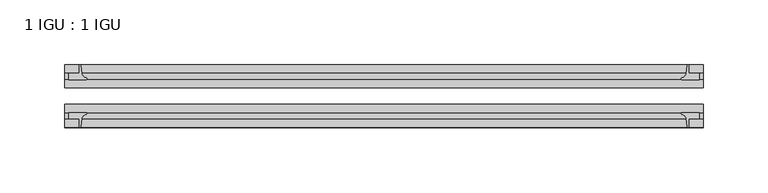
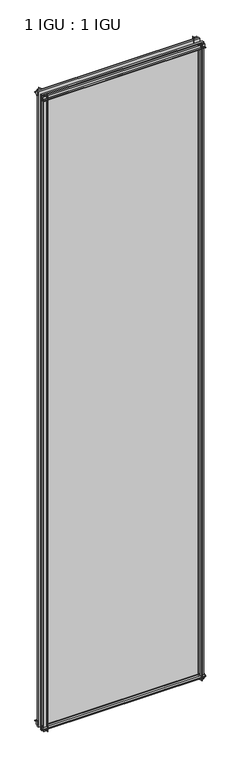
"""IFC4 building model written with IfcOpenShell, lengths in millimetres: plate geometry, 1 IGU : 1 IGU."""

import ifcopenshell
import ifcopenshell.guid

model = None  # the IFC model being written
_history = None  # IfcOwnerHistory: only IFC2X3 demands one
_inside = {}  # id of a spatial element -> (the spatial element, [elements in it])
_under = {}  # id of a project, library or spatial element -> (it, [spatial elements below it])
_declared = {}  # id of a project -> (the project, [libraries it declares])
_typed = {}  # id of a type object -> (the type object, [elements of that type])
_made_of = {}  # id of a material, layer set ... -> (it, [elements and type objects made of it])


def new_model(schema):
    """Start an empty IFC model of exactly this schema.

    Asked for "IFC4X3", IfcOpenShell would pick the latest addendum, in which some entities
    have other attributes; the version numbers below select the first issue.
    IFC2X3 requires an IfcOwnerHistory on every rooted entity: one is made here for all.
    """
    global model, _history
    if schema == "IFC4X3":
        model = ifcopenshell.file(schema_version=(4, 3, 0, 0))
    else:
        model = ifcopenshell.file(schema=schema)
    _inside.clear()
    _under.clear()
    _declared.clear()
    _typed.clear()
    _made_of.clear()
    _history = None
    if model.schema == "IFC2X3":
        org = make("IfcOrganization", Name="unknown")
        user = make(
            "IfcPersonAndOrganization",
            ThePerson=make("IfcPerson", FamilyName="unknown"),
            TheOrganization=org,
        )
        app = make(
            "IfcApplication",
            ApplicationDeveloper=org,
            Version="unknown",
            ApplicationFullName="unknown",
            ApplicationIdentifier="unknown",
        )
        _history = make(
            "IfcOwnerHistory",
            OwningUser=user,
            OwningApplication=app,
            ChangeAction="ADDED",
            CreationDate=0,
        )
    return model


def make(cls, **values):
    """One entity of the class cls with the attributes given. An attribute that is None is left unset."""
    return model.create_entity(
        cls, **{name: value for name, value in values.items() if value is not None}
    )


def rooted(cls, **values):
    """An entity with a GlobalId (a new one), such as an element, a storey or a relation."""
    return make(cls, GlobalId=ifcopenshell.guid.new(), OwnerHistory=_history, **values)


def si_unit(unit_type, name, prefix=None):
    """IfcSIUnit, for example si_unit("LENGTHUNIT", "METRE", prefix="MILLI")."""
    return make("IfcSIUnit", UnitType=unit_type, Prefix=prefix, Name=name)


def assignment(units):
    """IfcUnitAssignment: the units of a project."""
    return None if units is None else make("IfcUnitAssignment", Units=units)


def point(xyz):
    """IfcCartesianPoint."""
    return None if xyz is None else make("IfcCartesianPoint", Coordinates=xyz)


def direction(xyz):
    """IfcDirection."""
    return None if xyz is None else make("IfcDirection", DirectionRatios=xyz)


def frame(location, z_axis=None, x_axis=None):
    """IfcAxis2Placement3D, a coordinate frame: its origin and axes. An axis left out is left unset."""
    return make(
        "IfcAxis2Placement3D",
        Location=point(location),
        Axis=direction(z_axis),
        RefDirection=direction(x_axis),
    )


def frame_2d(location, x_axis=None):
    """IfcAxis2Placement2D, a coordinate frame in the plane: its origin and x axis."""
    return make(
        "IfcAxis2Placement2D", Location=point(location), RefDirection=direction(x_axis)
    )


def origin():
    """The frame at (0, 0, 0) with its axes left unset."""
    return frame((0.0, 0.0, 0.0))


def place(relative_to, where):
    """IfcLocalPlacement: puts the frame where relative to a parent placement (None: the world)."""
    return make(
        "IfcLocalPlacement", PlacementRelTo=relative_to, RelativePlacement=where
    )


def context(
    kind, dimensions, precision=None, world=None, true_north=None, identifier=None
):
    """IfcGeometricRepresentationContext, for example the 3D "Model" context."""
    return make(
        "IfcGeometricRepresentationContext",
        ContextIdentifier=identifier,
        ContextType=kind,
        CoordinateSpaceDimension=dimensions,
        Precision=precision,
        WorldCoordinateSystem=world,
        TrueNorth=true_north,
    )


def project(units=None, contexts=None):
    """IfcProject with its units and contexts."""
    return rooted(
        "IfcProject",
        Name="project",
        RepresentationContexts=contexts,
        UnitsInContext=assignment(units),
    )


def spatial(cls, under=None, at=None, **own):
    """A site, building, storey or space (cls), placed at a placement, below another one or the project."""
    s = rooted(cls, ObjectPlacement=at, **own)
    if under is not None:
        _under.setdefault(under.id(), (under, []))[1].append(s)
    return s


def polyline(points):
    """IfcPolyline through the points."""
    return make("IfcPolyline", Points=[point(p) for p in points])


def circle_curve(where, radius):
    """IfcCircle in the frame where."""
    return make("IfcCircle", Position=where, Radius=radius)


def trimmed(basis, trim1, trim2, sense, master):
    """IfcTrimmedCurve: the piece of a basis curve between two trims."""
    return make(
        "IfcTrimmedCurve",
        BasisCurve=basis,
        Trim1=trim1,
        Trim2=trim2,
        SenseAgreement=sense,
        MasterRepresentation=master,
    )


def segment(curve, same_sense, transition):
    """IfcCompositeCurveSegment."""
    return make(
        "IfcCompositeCurveSegment",
        Transition=transition,
        SameSense=same_sense,
        ParentCurve=curve,
    )


def composite_curve(segments, self_intersect=None):
    """IfcCompositeCurve: segments joined end to end."""
    return make("IfcCompositeCurve", Segments=segments, SelfIntersect=self_intersect)


def outline(outer, holes=None, kind="AREA"):
    """IfcArbitraryClosedProfileDef: a profile drawn as a closed curve; with holes, ...WithVoids."""
    if holes is None:
        return make("IfcArbitraryClosedProfileDef", ProfileType=kind, OuterCurve=outer)
    return make(
        "IfcArbitraryProfileDefWithVoids",
        ProfileType=kind,
        OuterCurve=outer,
        InnerCurves=holes,
    )


def extrude(swept, where, along, depth):
    """IfcExtrudedAreaSolid: the profile swept, set in the frame where, extruded along a direction by depth."""
    return make(
        "IfcExtrudedAreaSolid",
        SweptArea=swept,
        Position=where,
        ExtrudedDirection=direction(along),
        Depth=depth,
    )


def shape(context_of_items, identifier, shape_type, items):
    """IfcShapeRepresentation: the items that make up one representation, for example the "Body"."""
    return make(
        "IfcShapeRepresentation",
        ContextOfItems=context_of_items,
        RepresentationIdentifier=identifier,
        RepresentationType=shape_type,
        Items=items,
    )


def source(mapping_origin, context_of_items, identifier, shape_type, items):
    """IfcRepresentationMap: a shape defined once, which mapped items show again and again."""
    return make(
        "IfcRepresentationMap",
        MappingOrigin=mapping_origin,
        MappedRepresentation=shape(context_of_items, identifier, shape_type, items),
    )


def transform(
    local_origin,
    x_axis=None,
    y_axis=None,
    z_axis=None,
    scale=None,
    scale2=None,
    scale3=None,
    uniform=True,
):
    """IfcCartesianTransformationOperator3D, or its non-uniform kind. x_axis, y_axis, z_axis: its Axis1, 2, 3."""
    if uniform:
        return make(
            "IfcCartesianTransformationOperator3D",
            Axis1=direction(x_axis),
            Axis2=direction(y_axis),
            LocalOrigin=point(local_origin),
            Scale=scale,
            Axis3=direction(z_axis),
        )
    return make(
        "IfcCartesianTransformationOperator3DnonUniform",
        Axis1=direction(x_axis),
        Axis2=direction(y_axis),
        LocalOrigin=point(local_origin),
        Scale=scale,
        Axis3=direction(z_axis),
        Scale2=scale2,
        Scale3=scale3,
    )


def mapped(mapping_source, mapping_target):
    """IfcMappedItem: shows the shape of a source again, moved by a transform."""
    return make(
        "IfcMappedItem", MappingSource=mapping_source, MappingTarget=mapping_target
    )


def made_of(thing, what):
    """Note that an element or type object is made of a material, layer set ...; save() writes the relation."""
    if what is not None:
        _made_of.setdefault(what.id(), (what, []))[1].append(thing)
    return thing


def element(
    cls,
    number,
    at=None,
    inside=None,
    cuts=None,
    type_object=None,
    material=None,
    context=None,
    identifier="Body",
    shape_type=None,
    held_by="IfcProductDefinitionShape",
    body=None,
    shapes=None,
    **own,
):
    """One element of the class cls, such as IfcWall. Its Tag is "e" and its number.

    at: its placement. inside: the storey or other place that contains it. cuts: it is an
    opening in that element (IfcRelVoidsElement). A single representation is given by context,
    identifier, shape_type and body (its items); several are given by shapes. held_by: the class
    of the entity that holds the representations. save() writes the other relations.
    """
    e = rooted(cls, Tag="e%d" % number, ObjectPlacement=at, **own)
    if body is not None:
        shapes = [shape(context, identifier, shape_type, body)]
    if shapes is not None:
        e.Representation = make(held_by, Representations=shapes)
    if inside is not None:
        _inside.setdefault(inside.id(), (inside, []))[1].append(e)
    if cuts is not None:
        rooted(
            "IfcRelVoidsElement", RelatingBuildingElement=cuts, RelatedOpeningElement=e
        )
    if type_object is not None:
        _typed.setdefault(type_object.id(), (type_object, []))[1].append(e)
    return made_of(e, material)


def aggregate(whole, parts):
    """IfcRelAggregates: a whole, such as a stair, and the parts it consists of."""
    return rooted("IfcRelAggregates", RelatingObject=whole, RelatedObjects=parts)


def save(model, path):
    """Write the relations noted so far, then the file.

    IfcRelAggregates (storeys below a building ...), IfcRelContainedInSpatialStructure (elements
    in a storey), IfcRelDefinesByType, IfcRelAssociatesMaterial and IfcRelDeclares: one each for
    every whole, place, type object, material and project.
    """
    for whole, parts in _under.values():
        aggregate(whole, parts)
    for where, things in _inside.values():
        rooted(
            "IfcRelContainedInSpatialStructure",
            RelatedElements=things,
            RelatingStructure=where,
        )
    for kind, things in _typed.values():
        rooted("IfcRelDefinesByType", RelatedObjects=things, RelatingType=kind)
    for what, things in _made_of.values():
        rooted("IfcRelAssociatesMaterial", RelatedObjects=things, RelatingMaterial=what)
    for by, libraries in _declared.values():
        rooted("IfcRelDeclares", RelatingContext=by, RelatedDefinitions=libraries)
    model.write(path)


def plate_1_igu_1_igu_dcb4b361(model_context):
    return source(origin(), model_context, "Body", "SweptSolid", [
        extrude(outline(composite_curve([segment(polyline([(-42.3267187, -8.2068385), (-47.0892187, -8.2068385), (-47.0892187, 0.0), (-53.563779, 0.0)]), True, "CONTINUOUS"), segment(trimmed(circle_curve(frame_2d((-53.0328134, 0.3482823)), 0.635), [point((-53.563779, 0.0))], [point((-53.0575397, 0.9828007))], False, "CARTESIAN"), True, "CONTINUOUS"), segment(trimmed(circle_curve(frame_2d((-54.2310045, 31.0958559)), 30.1359106), [point((-53.0575397, 0.9828007))], [point((-47.0834032, 1.8198434))], True, "CARTESIAN"), True, "CONTINUOUS"), segment(trimmed(circle_curve(frame_2d((-48.2159797, 6.4587878)), 4.7752), [point((-47.0834032, 1.8198434))], [point((-43.578416, 5.3205707))], True, "CARTESIAN"), True, "CONTINUOUS"), segment(trimmed(circle_curve(frame_2d((-42.9617187, 5.169212)), 0.635), [point((-43.578416, 5.3205707))], [point((-42.3267187, 5.169212))], False, "CARTESIAN"), True, "CONTINUOUS"), segment(polyline([(-42.3267187, 5.169212), (-42.3267187, -8.2068385)]), True, "CONTINUOUS")], self_intersect=False)), frame((-246.0625, 0.0, 0.0), z_axis=(1.0, 0.0, 0.0), x_axis=(0.0, 1.0, 0.0)), (0.0, 0.0, 1.0), 492.125),
        extrude(outline(composite_curve([segment(polyline([(-16.9267187, -8.2068385), (-16.9267187, 5.169212)]), True, "CONTINUOUS"), segment(trimmed(circle_curve(frame_2d((-16.2917187, 5.169212)), 0.635), [point((-16.9267187, 5.169212))], [point((-15.6750215, 5.3205707))], False, "CARTESIAN"), True, "CONTINUOUS"), segment(trimmed(circle_curve(frame_2d((-11.0374578, 6.4587878)), 4.7752), [point((-15.6750215, 5.3205707))], [point((-12.1700343, 1.8198434))], True, "CARTESIAN"), True, "CONTINUOUS"), segment(trimmed(circle_curve(frame_2d((-5.022433, 31.0958559)), 30.1359106), [point((-12.1700343, 1.8198434))], [point((-6.1958978, 0.9828007))], True, "CARTESIAN"), True, "CONTINUOUS"), segment(trimmed(circle_curve(frame_2d((-6.2206241, 0.3482823)), 0.635), [point((-6.1958978, 0.9828007))], [point((-5.6896585, 0.0))], False, "CARTESIAN"), True, "CONTINUOUS"), segment(polyline([(-5.6896585, 0.0), (-12.1642187, 0.0), (-12.1642187, -8.2068385), (-16.9267187, -8.2068385)]), True, "CONTINUOUS")], self_intersect=False)), frame((-246.0625, 0.0, 0.0), z_axis=(1.0, 0.0, 0.0), x_axis=(0.0, 1.0, 0.0)), (0.0, 0.0, 1.0), 492.125),
        extrude(outline(composite_curve([segment(polyline([(-47.0892188, 2022.475), (-47.0892188, 2030.6818385), (-42.3267188, 2030.6818385), (-42.3267188, 2017.305788)]), True, "CONTINUOUS"), segment(trimmed(circle_curve(frame_2d((-42.9617187, 2017.305788)), 0.635), [point((-42.3267188, 2017.305788))], [point((-43.578416, 2017.1544293))], False, "CARTESIAN"), True, "CONTINUOUS"), segment(trimmed(circle_curve(frame_2d((-48.2159797, 2016.0162122)), 4.7752), [point((-43.578416, 2017.1544293))], [point((-47.0834032, 2020.6551566))], True, "CARTESIAN"), True, "CONTINUOUS"), segment(trimmed(circle_curve(frame_2d((-54.2310045, 1991.3791441)), 30.1359106), [point((-47.0834032, 2020.6551566))], [point((-53.0575397, 2021.4921993))], True, "CARTESIAN"), True, "CONTINUOUS"), segment(trimmed(circle_curve(frame_2d((-53.0328134, 2022.1267177)), 0.635), [point((-53.0575397, 2021.4921993))], [point((-53.563779, 2022.475))], False, "CARTESIAN"), True, "CONTINUOUS"), segment(polyline([(-53.563779, 2022.475), (-47.0892188, 2022.475)]), True, "CONTINUOUS")], self_intersect=False)), frame((-246.0625, 0.0, 0.0), z_axis=(1.0, 0.0, 0.0), x_axis=(0.0, 1.0, 0.0)), (0.0, 0.0, 1.0), 492.125),
        extrude(outline(composite_curve([segment(polyline([(-12.1642187, 2022.475), (-5.6896585, 2022.475)]), True, "CONTINUOUS"), segment(trimmed(circle_curve(frame_2d((-6.2206241, 2022.1267177)), 0.635), [point((-5.6896585, 2022.475))], [point((-6.1958978, 2021.4921993))], False, "CARTESIAN"), True, "CONTINUOUS"), segment(trimmed(circle_curve(frame_2d((-5.022433, 1991.3791441)), 30.1359106), [point((-6.1958978, 2021.4921993))], [point((-12.1700343, 2020.6551566))], True, "CARTESIAN"), True, "CONTINUOUS"), segment(trimmed(circle_curve(frame_2d((-11.0374578, 2016.0162122)), 4.7752), [point((-12.1700343, 2020.6551566))], [point((-15.6750215, 2017.1544293))], True, "CARTESIAN"), True, "CONTINUOUS"), segment(trimmed(circle_curve(frame_2d((-16.2917188, 2017.305788)), 0.635), [point((-15.6750215, 2017.1544293))], [point((-16.9267188, 2017.305788))], False, "CARTESIAN"), True, "CONTINUOUS"), segment(polyline([(-16.9267188, 2017.305788), (-16.9267187, 2030.6818385), (-12.1642187, 2030.6818385), (-12.1642187, 2022.475)]), True, "CONTINUOUS")], self_intersect=False)), frame((-246.0625, 0.0, 0.0), z_axis=(1.0, 0.0, 0.0), x_axis=(0.0, 1.0, 0.0)), (0.0, 0.0, 1.0), 492.125),
        extrude(outline(composite_curve([segment(polyline([(234.95, -5.6896585), (234.95, -12.1642188), (243.1568385, -12.1642188), (243.1568385, -16.9267187), (229.780788, -16.9267187)]), True, "CONTINUOUS"), segment(trimmed(circle_curve(frame_2d((229.780788, -16.2917188)), 0.635), [point((229.780788, -16.9267187))], [point((229.6294293, -15.6750215))], False, "CARTESIAN"), True, "CONTINUOUS"), segment(trimmed(circle_curve(frame_2d((228.4912122, -11.0374578)), 4.7752), [point((229.6294293, -15.6750215))], [point((233.1301566, -12.1700343))], True, "CARTESIAN"), True, "CONTINUOUS"), segment(trimmed(circle_curve(frame_2d((203.8541441, -5.022433)), 30.1359106), [point((233.1301566, -12.1700343))], [point((233.9671993, -6.1958978))], True, "CARTESIAN"), True, "CONTINUOUS"), segment(trimmed(circle_curve(frame_2d((234.6017177, -6.2206241)), 0.635), [point((233.9671993, -6.1958978))], [point((234.95, -5.6896585))], False, "CARTESIAN"), True, "CONTINUOUS")], self_intersect=False)), frame((0.0, 0.0, -11.1125), z_axis=(0.0, 0.0, 1.0), x_axis=(1.0, 0.0, 0.0)), (0.0, 0.0, 1.0), 2044.7),
        extrude(outline(composite_curve([segment(trimmed(circle_curve(frame_2d((234.6017177, -53.0328134)), 0.635), [point((234.95, -53.563779))], [point((233.9671993, -53.0575397))], False, "CARTESIAN"), True, "CONTINUOUS"), segment(trimmed(circle_curve(frame_2d((203.8541441, -54.2310045)), 30.1359106), [point((233.9671993, -53.0575397))], [point((233.1301566, -47.0834032))], True, "CARTESIAN"), True, "CONTINUOUS"), segment(trimmed(circle_curve(frame_2d((228.4912122, -48.2159797)), 4.7752), [point((233.1301566, -47.0834032))], [point((229.6294293, -43.578416))], True, "CARTESIAN"), True, "CONTINUOUS"), segment(trimmed(circle_curve(frame_2d((229.780788, -42.9617187)), 0.635), [point((229.6294293, -43.578416))], [point((229.780788, -42.3267187))], False, "CARTESIAN"), True, "CONTINUOUS"), segment(polyline([(229.780788, -42.3267187), (243.1568385, -42.3267187), (243.1568385, -47.0892188), (234.95, -47.0892188), (234.95, -53.563779)]), True, "CONTINUOUS")], self_intersect=False)), frame((0.0, 0.0, -11.1125), z_axis=(0.0, 0.0, 1.0), x_axis=(1.0, 0.0, 0.0)), (0.0, 0.0, 1.0), 2044.7),
        extrude(outline(composite_curve([segment(trimmed(circle_curve(frame_2d((-234.6017177, -6.2206241)), 0.635), [point((-234.95, -5.6896585))], [point((-233.9671993, -6.1958978))], False, "CARTESIAN"), True, "CONTINUOUS"), segment(trimmed(circle_curve(frame_2d((-203.8541441, -5.022433)), 30.1359106), [point((-233.9671993, -6.1958978))], [point((-233.1301566, -12.1700343))], True, "CARTESIAN"), True, "CONTINUOUS"), segment(trimmed(circle_curve(frame_2d((-228.4912122, -11.0374578)), 4.7752), [point((-233.1301566, -12.1700343))], [point((-229.6294293, -15.6750215))], True, "CARTESIAN"), True, "CONTINUOUS"), segment(trimmed(circle_curve(frame_2d((-229.780788, -16.2917187)), 0.635), [point((-229.6294293, -15.6750215))], [point((-229.780788, -16.9267187))], False, "CARTESIAN"), True, "CONTINUOUS"), segment(polyline([(-229.780788, -16.9267187), (-243.1568385, -16.9267187), (-243.1568385, -12.1642187), (-234.95, -12.1642187), (-234.95, -5.6896585)]), True, "CONTINUOUS")], self_intersect=False)), frame((0.0, 0.0, -11.1125), z_axis=(0.0, 0.0, 1.0), x_axis=(1.0, 0.0, 0.0)), (0.0, 0.0, 1.0), 2044.7),
        extrude(outline(composite_curve([segment(polyline([(-234.95, -53.563779), (-234.95, -47.0892187), (-243.1568385, -47.0892187), (-243.1568385, -42.3267188), (-229.780788, -42.3267188)]), True, "CONTINUOUS"), segment(trimmed(circle_curve(frame_2d((-229.780788, -42.9617187)), 0.635), [point((-229.780788, -42.3267188))], [point((-229.6294293, -43.578416))], False, "CARTESIAN"), True, "CONTINUOUS"), segment(trimmed(circle_curve(frame_2d((-228.4912122, -48.2159797)), 4.7752), [point((-229.6294293, -43.578416))], [point((-233.1301566, -47.0834032))], True, "CARTESIAN"), True, "CONTINUOUS"), segment(trimmed(circle_curve(frame_2d((-203.8541441, -54.2310045)), 30.1359106), [point((-233.1301566, -47.0834032))], [point((-233.9671993, -53.0575397))], True, "CARTESIAN"), True, "CONTINUOUS"), segment(trimmed(circle_curve(frame_2d((-234.6017177, -53.0328134)), 0.635), [point((-233.9671993, -53.0575397))], [point((-234.95, -53.563779))], False, "CARTESIAN"), True, "CONTINUOUS")], self_intersect=False)), frame((0.0, 0.0, -11.1125), z_axis=(0.0, 0.0, 1.0), x_axis=(1.0, 0.0, 0.0)), (0.0, 0.0, 1.0), 2044.7),
        extrude(outline(polyline([(246.0625, -16.9267187), (246.0625, -23.2259187), (-246.0625, -23.2259187), (-246.0625, -16.9267187), (246.0625, -16.9267187)])), frame((0.0, 0.0, -11.1125), z_axis=(0.0, 0.0, 1.0), x_axis=(1.0, 0.0, 0.0)), (0.0, 0.0, 1.0), 2044.7),
        extrude(outline(polyline([(246.0625, -36.0275187), (246.0625, -42.3267187), (-246.0625, -42.3267187), (-246.0625, -36.0275187), (246.0625, -36.0275187)])), frame((0.0, 0.0, -11.1125), z_axis=(0.0, 0.0, 1.0), x_axis=(1.0, 0.0, 0.0)), (0.0, 0.0, 1.0), 2044.7),
    ])


if __name__ == "__main__":
    model = new_model("IFC4")
    model_context = context("Model", 3, world=origin())
    ifc_project = project(units=[si_unit("LENGTHUNIT", "METRE", prefix="MILLI")], contexts=[model_context])
    site = spatial("IfcSite", under=ifc_project)
    building = spatial("IfcBuilding", under=site)
    placement = place(None, origin())
    plate_1_igu_1_igu_shape = plate_1_igu_1_igu_dcb4b361(model_context)
    element("IfcPlate", 1, ObjectType="1 IGU : 1 IGU", at=placement, inside=building, context=model_context, shape_type="MappedRepresentation", body=[
        mapped(plate_1_igu_1_igu_shape, transform((0.0, 0.0, 0.0), x_axis=(1.0, 0.0, 0.0), y_axis=(0.0, 1.0, 0.0), z_axis=(0.0, 0.0, 1.0))),
    ])
    save(model, "model.ifc")
